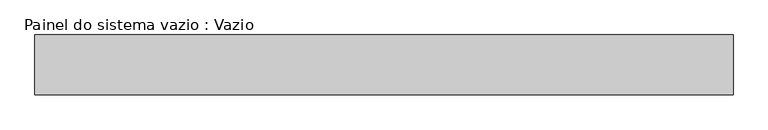
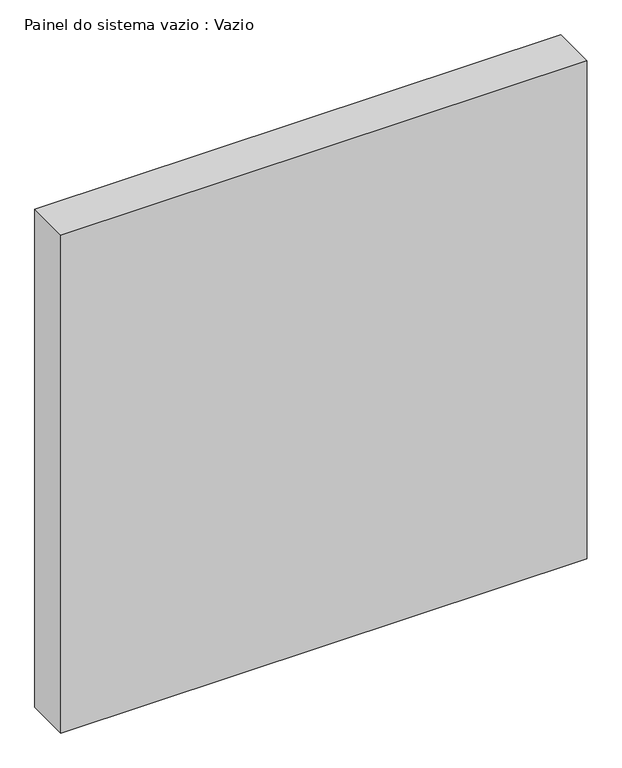
"""IFC4 building model written with IfcOpenShell, lengths in millimetres: plate geometry, Painel do sistema vazio : Vazio."""

from ifc_helpers import new_model, si_unit, origin, origin_with_axes, place, context, project, spatial, polyline, outline, extrude, source, transform, mapped, element, save


def painel_do_sistema_vazio_vazio_cdf3a820(model_context):
    return source(origin(), model_context, "Body", "SweptSolid", [
        extrude(outline(polyline([(582.5, -50.0), (-582.5, -50.0), (-582.5, 50.0), (582.5, 50.0), (582.5, -50.0)])), origin_with_axes(), (0.0, 0.0, 1.0), 1165.0),
    ])


if __name__ == "__main__":
    model = new_model("IFC4")
    model_context = context("Model", 3, world=origin())
    ifc_project = project(units=[si_unit("LENGTHUNIT", "METRE", prefix="MILLI")], contexts=[model_context])
    site = spatial("IfcSite", under=ifc_project)
    building = spatial("IfcBuilding", under=site)
    placement = place(None, origin())
    painel_do_sistema_vazio_vazio_shape = painel_do_sistema_vazio_vazio_cdf3a820(model_context)
    element("IfcPlate", 1, ObjectType="Painel do sistema vazio : Vazio", at=placement, inside=building, context=model_context, shape_type="MappedRepresentation", body=[
        mapped(painel_do_sistema_vazio_vazio_shape, transform((0.0, 0.0, 0.0), x_axis=(1.0, 0.0, 0.0), y_axis=(0.0, 1.0, 0.0), z_axis=(0.0, 0.0, 1.0))),
    ])
    save(model, "model.ifc")
